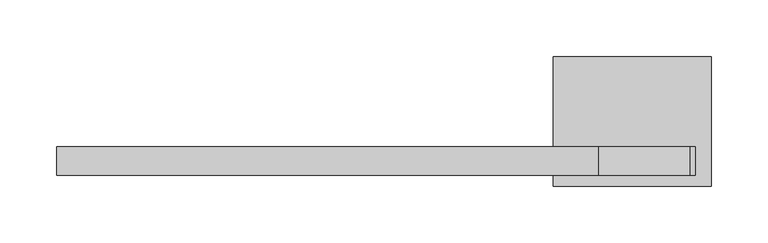
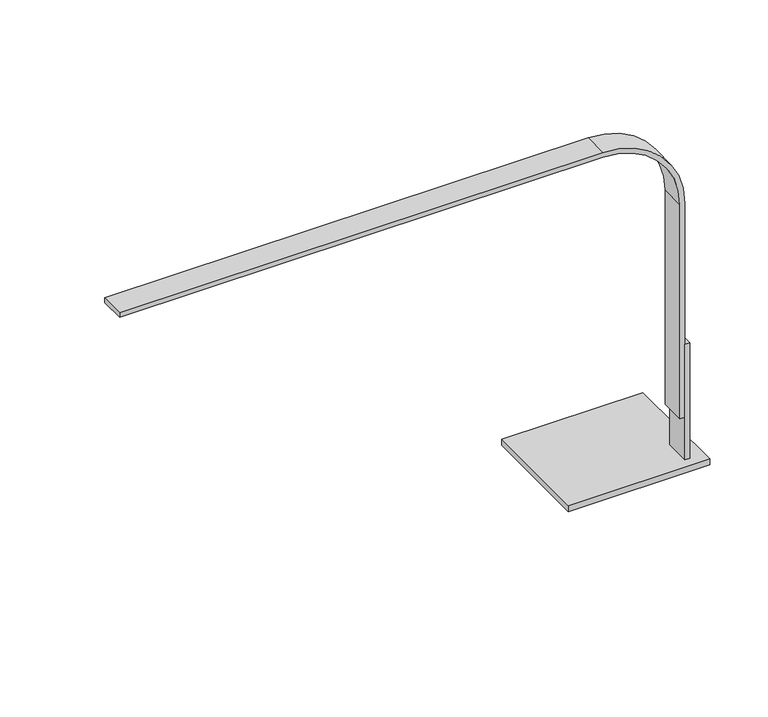
"""IFC4 building model written with IfcOpenShell, lengths in millimetres: light fixture geometry."""

from ifc_helpers import new_model, si_unit, point, frame, frame_2d, origin, place, context, project, spatial, polyline, circle_curve, trimmed, segment, composite_curve, outline, extrude, faceted_brep, source, transform, mapped, element, save


def light_fixture_89a99560(model_context):
    return source(origin(), model_context, "Body", "SolidModel", [
        faceted_brep([(34.1911301, 236.9532085, 863.6), (29.4286301, 236.9532085, 863.6), (29.4286301, 211.5532085, 863.6), (34.1911301, 211.5532085, 863.6), (48.4786301, 316.3282085, 736.6), (48.4786301, 202.0282085, 736.6), (-91.2213699, 202.0282085, 736.6), (-91.2213699, 316.3282085, 736.6), (34.1911301, 211.5532085, 742.95), (34.1911301, 236.9532085, 742.95), (29.4286301, 211.5532085, 742.95), (29.4286301, 236.9532085, 742.95), (48.4786301, 316.3282085, 742.95), (-91.2213699, 316.3282085, 742.95), (-91.2213699, 202.0282085, 742.95), (48.4786301, 202.0282085, 742.95)], [[[0, 1, 2, 3]], [[4, 5, 6, 7]], [[0, 3, 8, 9]], [[3, 2, 10, 8]], [[2, 1, 11, 10]], [[1, 0, 9, 11]], [[12, 13, 14, 15], [9, 8, 10, 11]], [[13, 12, 4, 7]], [[14, 13, 7, 6]], [[15, 14, 6, 5]], [[12, 15, 5, 4]]]),
        extrude(outline(composite_curve([segment(polyline([(1092.2, -529.3713699), (1087.4375, -529.3713699), (1087.4375, -51.5338699)]), True, "CONTINUOUS"), segment(trimmed(circle_curve(frame_2d((1011.2375, -51.5338699)), 76.2), [point((1087.4375, -51.5338699))], [point((1011.2375, 24.6661301))], True, "CARTESIAN"), True, "CONTINUOUS"), segment(polyline([(1011.2375, 24.6661301), (787.4, 24.6661301), (787.4, 29.4286301), (1011.2375, 29.4286301)]), True, "CONTINUOUS"), segment(trimmed(circle_curve(frame_2d((1011.2375, -51.5338699)), 80.9625), [point((1011.2375, 29.4286301))], [point((1092.2, -51.5338699))], False, "CARTESIAN"), True, "CONTINUOUS"), segment(polyline([(1092.2, -51.5338699), (1092.2, -529.3713699)]), True, "CONTINUOUS")], self_intersect=False)), frame((0.0, 211.5532085, 0.0), z_axis=(0.0, 1.0, 0.0), x_axis=(0.0, 0.0, 1.0)), (0.0, 0.0, 1.0), 25.4),
    ])


if __name__ == "__main__":
    model = new_model("IFC4")
    model_context = context("Model", 3, world=origin())
    ifc_project = project(units=[si_unit("LENGTHUNIT", "METRE", prefix="MILLI")], contexts=[model_context])
    site = spatial("IfcSite", under=ifc_project)
    building = spatial("IfcBuilding", under=site)
    placement = place(None, origin())
    light_fixture_shape = light_fixture_89a99560(model_context)
    element("IfcLightFixture", 1, at=placement, inside=building, context=model_context, shape_type="MappedRepresentation", body=[
        mapped(light_fixture_shape, transform((0.0, 0.0, 0.0), x_axis=(1.0, 0.0, 0.0), y_axis=(0.0, 1.0, 0.0), z_axis=(0.0, 0.0, 1.0))),
    ])
    save(model, "model.ifc")
